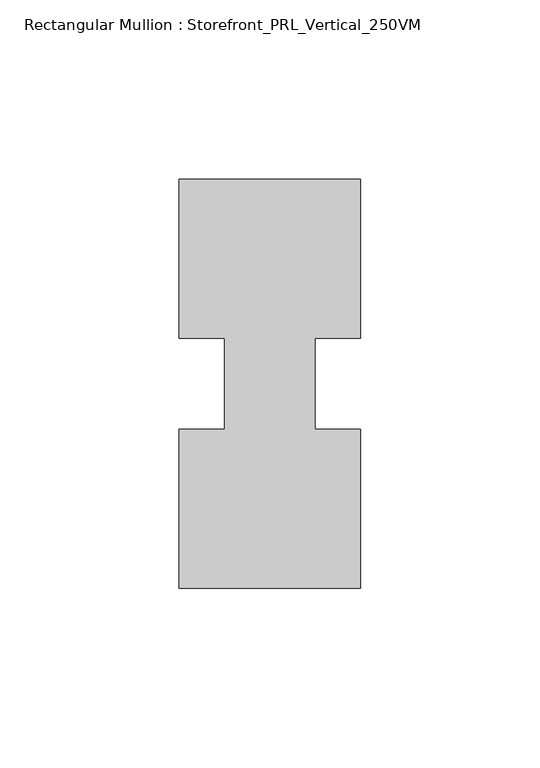
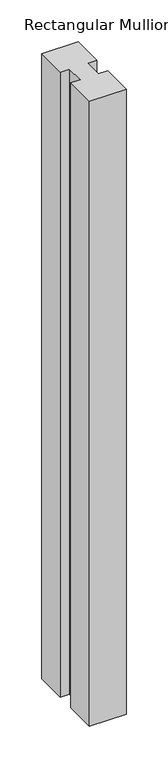
"""IFC4 building model written with IfcOpenShell, lengths in millimetres: member geometry, Rectangular Mullion : Storefront_PRL_Vertical_250VM."""

from ifc_helpers import new_model, si_unit, frame, origin, place, context, project, spatial, polyline, outline, extrude, source, transform, mapped, element, save


def rectangular_mullion_storefront_prl_vertical_250vm_300b8d95(model_context):
    return source(origin(), model_context, "Body", "SweptSolid", [
        extrude(outline(polyline([(-12.7, -12.7), (-12.7, 12.7), (-25.4, 12.7), (-25.4, 57.15), (25.4, 57.15), (25.4, 12.7), (12.7, 12.7), (12.7, -12.7), (25.4, -12.7), (25.4, -57.15), (-25.4, -57.15), (-25.4, -12.7), (-12.7, -12.7)])), frame((0.0, 0.0, -914.4), z_axis=(0.0, 0.0, 1.0), x_axis=(1.0, 0.0, 0.0)), (0.0, 0.0, 1.0), 914.4),
    ])


if __name__ == "__main__":
    model = new_model("IFC4")
    model_context = context("Model", 3, world=origin())
    ifc_project = project(units=[si_unit("LENGTHUNIT", "METRE", prefix="MILLI")], contexts=[model_context])
    site = spatial("IfcSite", under=ifc_project)
    building = spatial("IfcBuilding", under=site)
    placement = place(None, origin())
    rectangular_mullion_storefront_prl_vertical_250vm_shape = rectangular_mullion_storefront_prl_vertical_250vm_300b8d95(model_context)
    element("IfcMember", 1, ObjectType="Rectangular Mullion : Storefront_PRL_Vertical_250VM", at=placement, inside=building, context=model_context, shape_type="MappedRepresentation", body=[
        mapped(rectangular_mullion_storefront_prl_vertical_250vm_shape, transform((0.0, 0.0, 0.0), x_axis=(1.0, 0.0, 0.0), y_axis=(0.0, 1.0, 0.0), z_axis=(0.0, 0.0, 1.0))),
    ])
    save(model, "model.ifc")
